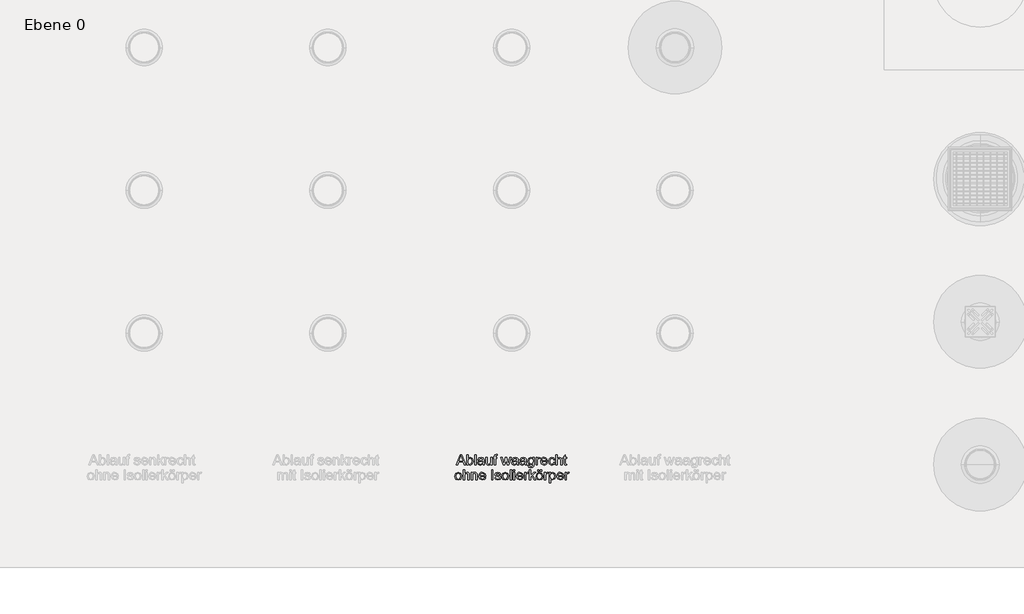
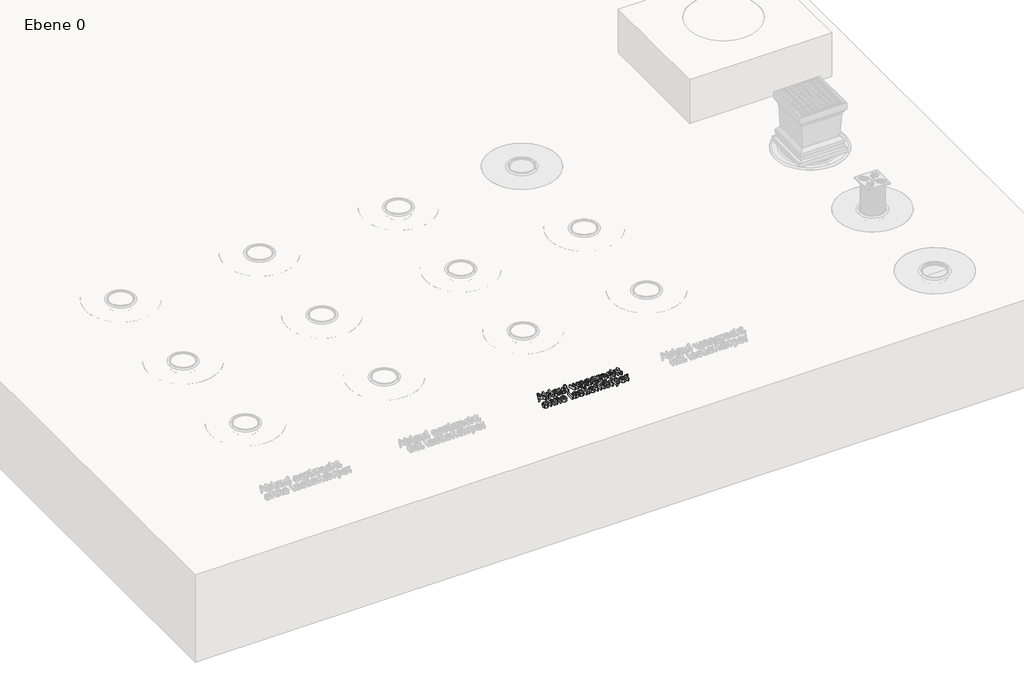
# One storey, part 4 of 12: 1 proxy.
"""IFC4 building model written with IfcOpenShell, lengths in millimetres."""

from ifc_helpers import new_model, si_unit, origin, origin_with_axes, place, context, project, spatial, polyline, outline, extrude, element, save

model = new_model("IFC4")

# Units and contexts
model_context = context("Model", 3, world=origin())
ifc_project = project(units=[si_unit("LENGTHUNIT", "METRE", prefix="MILLI")], contexts=[model_context])

# Site, building, storey
site = spatial("IfcSite", under=ifc_project)
building = spatial("IfcBuilding", under=site)
storey = spatial("IfcBuildingStorey", under=building, Name="Ebene 0", Elevation=0.0)

# Proxy
placement = place(None, origin())
element("IfcBuildingElementProxy", 1, Name="100mm ACO", ObjectType="100mm ACO", at=placement, inside=storey, context=model_context, shape_type="SweptSolid", body=[
    extrude(outline(polyline([(-26943.403997, 17214.466207), (-26950.3453742, 17214.466207), (-26956.3699658, 17229.3676122), (-26977.7034229, 17229.3676122), (-26983.49518, 17214.466207), (-26990.4365572, 17214.466207), (-26970.893015, 17264.7584496), (-26963.7624598, 17264.7584496), (-26943.403997, 17214.466207)]), holes=[polyline([(-26958.6401017, 17234.9556392), (-26965.8943503, 17253.3932177), (-26967.385946, 17259.2577356), (-26969.7288427, 17249.915253), (-26975.535152, 17234.9556392), (-26958.6401017, 17234.9556392)])]), origin_with_axes(), (0.0, 0.0, 1.0), 20.0),
    extrude(outline(polyline([(-26932.3734646, 17247.1940003), (-26922.5944174, 17251.71972), (-26911.4838482, 17246.597362), (-26907.3146562, 17233.2093807), (-26911.8985845, 17218.6062946), (-26922.6235217, 17213.5348691), (-26932.3298081, 17218.5117056), (-26932.4607775, 17214.466207), (-26938.9801423, 17214.466207), (-26938.9801423, 17264.7584496), (-26932.4607775, 17264.7584496), (-26932.3734646, 17247.1940003)]), holes=[polyline([(-26923.2347122, 17218.1915583), (-26916.489789, 17221.9969464), (-26913.834021, 17232.6855032), (-26916.2787828, 17243.184882), (-26923.030982, 17247.0630309), (-26929.8704942, 17243.0611887), (-26932.4607775, 17232.9328898), (-26931.3839181, 17224.4053278), (-26928.1387879, 17220.0324057), (-26923.2347122, 17218.1915583)])]), origin_with_axes(), (0.0, 0.0, 1.0), 20.0),
    extrude(outline(polyline([(-26893.3445888, 17214.466207), (-26899.8639536, 17214.466207), (-26899.8639536, 17264.7584496), (-26893.3445888, 17264.7584496), (-26893.3445888, 17214.466207)])), origin_with_axes(), (0.0, 0.0, 1.0), 20.0),
    extrude(outline(polyline([(-26852.3657244, 17214.466207), (-26858.8850892, 17214.466207), (-26860.7477648, 17218.8609573), (-26873.8010466, 17213.5348691), (-26882.656032, 17216.4452998), (-26885.8938862, 17224.1288369), (-26882.7215167, 17231.6741285), (-26871.7055364, 17235.5959339), (-26866.0010923, 17236.4690631), (-26860.7477648, 17237.7496526), (-26860.9151146, 17241.7878752), (-26861.8901089, 17244.2399131), (-26864.4876683, 17246.2844907), (-26869.3044311, 17247.0630309), (-26875.3799552, 17245.4841222), (-26878.4431835, 17239.6123283), (-26884.9625483, 17240.4126967), (-26879.818362, 17248.8820501), (-26868.4167497, 17251.71972), (-26858.7322916, 17249.7770075), (-26854.9341795, 17245.0912141), (-26854.2284, 17238.0261436), (-26854.2284, 17229.7168639), (-26853.9519091, 17219.5303564), (-26852.3657244, 17214.466207)]), holes=[polyline([(-26860.7477648, 17230.7646189), (-26860.7477648, 17233.0929635), (-26872.4549724, 17230.4153672), (-26877.6446341, 17228.3744277), (-26879.3745214, 17224.230702), (-26877.5118457, 17219.8941602), (-26872.142101, 17218.1915583), (-26864.1893491, 17221.0437804), (-26860.7477648, 17230.7646189)])]), origin_with_axes(), (0.0, 0.0, 1.0), 20.0),
    extrude(outline(polyline([(-26815.1122113, 17214.466207), (-26820.7002383, 17214.466207), (-26820.7002383, 17219.7486387), (-26825.8517006, 17215.0883115), (-26832.3710654, 17213.5348691), (-26839.4725163, 17215.3029558), (-26843.8236102, 17220.1706512), (-26844.9150218, 17228.2179921), (-26844.9150218, 17250.7883822), (-26838.395657, 17250.7883822), (-26838.395657, 17230.1825328), (-26837.9445402, 17223.095634), (-26835.5870913, 17219.5740129), (-26831.0468194, 17218.1915583), (-26824.6365958, 17220.6654244), (-26821.6315761, 17230.9101405), (-26821.6315761, 17250.7883822), (-26815.1122113, 17250.7883822), (-26815.1122113, 17214.466207)])), origin_with_axes(), (0.0, 0.0, 1.0), 20.0),
    extrude(outline(polyline([(-26789.0347521, 17265.2095664), (-26789.8351206, 17261.0330983), (-26793.0074901, 17261.0330983), (-26796.1798595, 17259.963515), (-26797.4167926, 17254.6738072), (-26797.4167926, 17250.7883822), (-26791.8287656, 17250.7883822), (-26791.8287656, 17246.1316931), (-26797.4167926, 17246.1316931), (-26797.4167926, 17214.466207), (-26803.9361574, 17214.466207), (-26803.9361574, 17246.1316931), (-26809.5241843, 17246.1316931), (-26809.5241843, 17250.7883822), (-26803.9361574, 17250.7883822), (-26803.9361574, 17254.7756723), (-26803.4486602, 17259.7961653), (-26800.8802051, 17263.8707683), (-26794.4627054, 17265.6897874), (-26789.0347521, 17265.2095664)])), origin_with_axes(), (0.0, 0.0, 1.0), 20.0),
    extrude(outline(polyline([(-26721.7455941, 17250.7883822), (-26733.9111945, 17214.466207), (-26740.0813076, 17214.466207), (-26745.3637393, 17236.2944373), (-26746.0258623, 17239.2412484), (-26746.658881, 17242.4645504), (-26753.0763807, 17214.466207), (-26759.2464938, 17214.466207), (-26771.5721679, 17250.7883822), (-26765.7658586, 17250.7883822), (-26756.9035971, 17222.0042225), (-26755.8412899, 17226.9082982), (-26750.2823672, 17250.7883822), (-26742.9917383, 17250.7883822), (-26738.5824358, 17231.7396132), (-26736.5305821, 17222.7900388), (-26727.5664556, 17250.7883822), (-26721.7455941, 17250.7883822)])), origin_with_axes(), (0.0, 0.0, 1.0), 20.0),
    extrude(outline(polyline([(-26684.7249155, 17214.466207), (-26691.2442803, 17214.466207), (-26693.106956, 17218.8609573), (-26706.1602377, 17213.5348691), (-26715.0152231, 17216.4452998), (-26718.2530773, 17224.1288369), (-26715.0807078, 17231.6741285), (-26704.0647276, 17235.5959339), (-26698.3602834, 17236.4690631), (-26693.106956, 17237.7496526), (-26693.2743057, 17241.7878752), (-26694.2493, 17244.2399131), (-26696.8468594, 17246.2844907), (-26701.6636222, 17247.0630309), (-26707.7391463, 17245.4841222), (-26710.8023747, 17239.6123283), (-26717.3217395, 17240.4126967), (-26712.1775532, 17248.8820501), (-26700.7759409, 17251.71972), (-26691.0914827, 17249.7770075), (-26687.2933706, 17245.0912141), (-26686.5875912, 17238.0261436), (-26686.5875912, 17229.7168639), (-26686.3111002, 17219.5303564), (-26684.7249155, 17214.466207)]), holes=[polyline([(-26693.106956, 17230.7646189), (-26693.106956, 17233.0929635), (-26704.8141635, 17230.4153672), (-26710.0038252, 17228.3744277), (-26711.7337125, 17224.230702), (-26709.8710368, 17219.8941602), (-26704.5012922, 17218.1915583), (-26696.5485403, 17221.0437804), (-26693.106956, 17230.7646189)])]), origin_with_axes(), (0.0, 0.0, 1.0), 20.0),
    extrude(outline(polyline([(-26645.6087268, 17214.466207), (-26652.1280916, 17214.466207), (-26653.9907672, 17218.8609573), (-26667.044049, 17213.5348691), (-26675.8990344, 17216.4452998), (-26679.1368886, 17224.1288369), (-26675.9645191, 17231.6741285), (-26664.9485388, 17235.5959339), (-26659.2440947, 17236.4690631), (-26653.9907672, 17237.7496526), (-26654.158117, 17241.7878752), (-26655.1331113, 17244.2399131), (-26657.7306707, 17246.2844907), (-26662.5474335, 17247.0630309), (-26668.6229576, 17245.4841222), (-26671.6861859, 17239.6123283), (-26678.2055507, 17240.4126967), (-26673.0613644, 17248.8820501), (-26661.6597521, 17251.71972), (-26651.975294, 17249.7770075), (-26648.1771819, 17245.0912141), (-26647.4714024, 17238.0261436), (-26647.4714024, 17229.7168639), (-26647.1949115, 17219.5303564), (-26645.6087268, 17214.466207)]), holes=[polyline([(-26653.9907672, 17230.7646189), (-26653.9907672, 17233.0929635), (-26665.6979747, 17230.4153672), (-26670.8876365, 17228.3744277), (-26672.6175238, 17224.230702), (-26670.7548481, 17219.8941602), (-26665.3851034, 17218.1915583), (-26657.4323515, 17221.0437804), (-26653.9907672, 17230.7646189)])]), origin_with_axes(), (0.0, 0.0, 1.0), 20.0),
    extrude(outline(polyline([(-26608.3552137, 17219.8213995), (-26609.8904659, 17208.4343393), (-26615.3547996, 17202.5843736), (-26624.7409386, 17200.4961396), (-26634.9929308, 17203.3265334), (-26639.089362, 17212.6035313), (-26632.5699972, 17211.5703284), (-26630.2707569, 17206.7608417), (-26624.6390735, 17205.1528287), (-26617.9450829, 17207.0082283), (-26615.3475235, 17211.5266719), (-26614.8745785, 17218.8755095), (-26624.7263864, 17214.466207), (-26635.8296796, 17219.7195344), (-26640.0206998, 17232.9765463), (-26636.0334097, 17246.3645275), (-26625.0028774, 17251.71972), (-26615.0055479, 17246.9320615), (-26614.8745785, 17250.7883822), (-26608.3552137, 17250.7883822), (-26608.3552137, 17219.8213995)]), holes=[polyline([(-26623.7513921, 17219.1228961), (-26616.9264321, 17222.3534742), (-26613.9432407, 17233.1802764), (-26616.7881867, 17243.4759251), (-26623.8241529, 17247.0630309), (-26630.8019105, 17243.3886121), (-26633.501335, 17233.325798), (-26630.6709412, 17222.5281), (-26623.7513921, 17219.1228961)])]), origin_with_axes(), (0.0, 0.0, 1.0), 20.0),
    extrude(outline(polyline([(-26579.4837411, 17250.293609), (-26581.5210426, 17246.1316931), (-26585.7993757, 17247.0630309), (-26590.8198687, 17243.7887964), (-26592.5224706, 17234.6209396), (-26592.5224706, 17214.466207), (-26599.0418354, 17214.466207), (-26599.0418354, 17250.7883822), (-26593.4538085, 17250.7883822), (-26593.4538085, 17245.4040854), (-26585.7266149, 17251.71972), (-26579.4837411, 17250.293609)])), origin_with_axes(), (0.0, 0.0, 1.0), 20.0),
    extrude(outline(polyline([(-26544.0929036, 17231.2302878), (-26571.1017006, 17231.2302878), (-26567.6892206, 17221.5385536), (-26560.1148247, 17218.1915583), (-26554.2430307, 17220.0469578), (-26550.6122684, 17225.6422609), (-26544.0929036, 17224.8855489), (-26549.7827957, 17216.4744042), (-26560.1148247, 17213.5348691), (-26572.9862045, 17218.5771903), (-26577.6210654, 17232.3508037), (-26573.1535543, 17246.3499754), (-26567.7728955, 17250.3772839), (-26560.5659414, 17251.71972), (-26552.9115087, 17249.9807377), (-26546.6613587, 17244.0580112), (-26544.0929036, 17231.2302878)]), holes=[polyline([(-26550.6122684, 17235.886977), (-26554.0465767, 17244.4436433), (-26560.7260151, 17247.0630309), (-26567.8565704, 17243.94887), (-26571.1017006, 17235.886977), (-26550.6122684, 17235.886977)])]), origin_with_axes(), (0.0, 0.0, 1.0), 20.0),
    extrude(outline(polyline([(-26505.9080527, 17226.7627767), (-26511.5397361, 17216.7217908), (-26521.5079613, 17213.5348691), (-26534.0664698, 17218.7445401), (-26538.5048767, 17232.5545338), (-26535.972802, 17243.9634222), (-26529.6353391, 17249.9807377), (-26521.6389307, 17251.71972), (-26511.8526074, 17248.874774), (-26506.8393905, 17240.5145618), (-26513.3587553, 17239.6123283), (-26516.3273947, 17245.1930792), (-26521.5661699, 17247.0630309), (-26529.3370199, 17243.2721949), (-26531.9855119, 17232.6855032), (-26529.3297439, 17221.9678421), (-26521.668035, 17218.1915583), (-26515.3305721, 17220.5199028), (-26512.4274175, 17227.5049365), (-26505.9080527, 17226.7627767)])), origin_with_axes(), (0.0, 0.0, 1.0), 20.0),
    extrude(outline(polyline([(-26472.3798909, 17214.466207), (-26478.8992557, 17214.466207), (-26478.8992557, 17237.9533828), (-26480.7546553, 17244.7856189), (-26486.2917497, 17247.0630309), (-26492.7965624, 17244.3781586), (-26495.6633366, 17234.7955655), (-26495.6633366, 17214.466207), (-26502.1827014, 17214.466207), (-26502.1827014, 17264.7584496), (-26495.6633366, 17264.7584496), (-26495.6633366, 17246.7428835), (-26484.8219822, 17251.71972), (-26478.1425438, 17250.2790568), (-26473.6677565, 17245.8479261), (-26472.3798909, 17237.5459225), (-26472.3798909, 17214.466207)])), origin_with_axes(), (0.0, 0.0, 1.0), 20.0),
    extrude(outline(polyline([(-26449.0964453, 17213.9568816), (-26453.6658215, 17213.5348691), (-26459.493959, 17214.9828084), (-26461.7277146, 17218.6572272), (-26462.1351749, 17224.8564446), (-26462.1351749, 17246.1316931), (-26466.791864, 17246.1316931), (-26466.791864, 17250.7883822), (-26462.1351749, 17250.7883822), (-26462.1351749, 17260.0144476), (-26455.6158101, 17263.8271118), (-26455.6158101, 17250.7883822), (-26450.0277831, 17250.7883822), (-26450.0277831, 17246.1316931), (-26455.6158101, 17246.1316931), (-26455.6158101, 17223.5467508), (-26455.0919325, 17219.4139392), (-26452.4288884, 17218.1915583), (-26449.8968137, 17218.1915583), (-26449.0964453, 17213.9568816)])), origin_with_axes(), (0.0, 0.0, 1.0), 20.0),
    extrude(outline(polyline([(-26980.4392277, 17178.4362744), (-26968.426425, 17173.6195115), (-26963.6605947, 17159.9259351), (-26964.9502793, 17150.7362501), (-26968.8193331, 17144.7043824), (-26980.4392277, 17140.2514235), (-26992.2046439, 17144.8280757), (-26995.9427283, 17150.7453452), (-26997.1887565, 17159.3438489), (-26992.3719937, 17173.7068245), (-26980.4392277, 17178.4362744)]), holes=[polyline([(-26980.4392277, 17144.9081126), (-26972.7920711, 17148.9463352), (-26970.1799595, 17159.5766834), (-26973.1340467, 17170.1997555), (-26980.4392277, 17173.7795852), (-26987.7953414, 17170.1488229), (-26990.6693917, 17159.3292968), (-26987.7444088, 17148.5388749), (-26980.4392277, 17144.9081126)])]), origin_with_axes(), (0.0, 0.0, 1.0), 20.0),
    extrude(outline(polyline([(-26926.4070816, 17141.1827613), (-26932.9264464, 17141.1827613), (-26932.9264464, 17164.6699371), (-26934.781846, 17171.5021732), (-26940.3189404, 17173.7795852), (-26946.8237531, 17171.0947129), (-26949.6905273, 17161.5121198), (-26949.6905273, 17141.1827613), (-26956.2098921, 17141.1827613), (-26956.2098921, 17191.4750039), (-26949.6905273, 17191.4750039), (-26949.6905273, 17173.4594379), (-26938.8491729, 17178.4362744), (-26932.1697344, 17176.9956112), (-26927.6949472, 17172.5644804), (-26926.4070816, 17164.2624768), (-26926.4070816, 17141.1827613)])), origin_with_axes(), (0.0, 0.0, 1.0), 20.0),
    extrude(outline(polyline([(-26887.2908929, 17141.1827613), (-26893.8102577, 17141.1827613), (-26893.8102577, 17163.7968079), (-26895.7529702, 17171.6404187), (-26901.1590952, 17173.7795852), (-26906.2014164, 17172.4116828), (-26909.577516, 17168.5553621), (-26910.5743386, 17161.5121198), (-26910.5743386, 17141.1827613), (-26917.0937034, 17141.1827613), (-26917.0937034, 17177.5049365), (-26911.5056764, 17177.5049365), (-26911.5056764, 17172.4553393), (-26906.5288399, 17176.9446786), (-26899.8639536, 17178.4362744), (-26894.1449572, 17177.4030715), (-26889.7211025, 17174.3107388), (-26887.7056293, 17169.9159885), (-26887.2908929, 17163.6076299), (-26887.2908929, 17141.1827613)])), origin_with_axes(), (0.0, 0.0, 1.0), 20.0),
    extrude(outline(polyline([(-26846.3120285, 17157.9468422), (-26873.3208255, 17157.9468422), (-26869.9083455, 17148.2551079), (-26862.3339496, 17144.9081126), (-26856.4621556, 17146.7635122), (-26852.8313933, 17152.3588152), (-26846.3120285, 17151.6021032), (-26852.0019205, 17143.1909585), (-26862.3339496, 17140.2514235), (-26875.2053294, 17145.2937447), (-26879.8401903, 17159.067358), (-26875.3726791, 17173.0665297), (-26869.9920204, 17177.0938382), (-26862.7850663, 17178.4362744), (-26855.1306336, 17176.697292), (-26848.8804836, 17170.7745655), (-26846.3120285, 17157.9468422)]), holes=[polyline([(-26852.8313933, 17162.6035313), (-26856.2657015, 17171.1601976), (-26862.94514, 17173.7795852), (-26870.0756952, 17170.6654244), (-26873.3208255, 17162.6035313), (-26852.8313933, 17162.6035313)])]), origin_with_axes(), (0.0, 0.0, 1.0), 20.0),
    extrude(outline(polyline([(-26810.9211911, 17141.1827613), (-26817.4405559, 17141.1827613), (-26817.4405559, 17191.4750039), (-26810.9211911, 17191.4750039), (-26810.9211911, 17141.1827613)])), origin_with_axes(), (0.0, 0.0, 1.0), 20.0),
    extrude(outline(polyline([(-26779.255705, 17167.2602204), (-26781.6640864, 17172.149744), (-26787.2302851, 17173.7795852), (-26792.9201771, 17172.3825785), (-26795.088448, 17168.3225277), (-26793.6550609, 17164.7281457), (-26786.8955856, 17162.7781572), (-26777.9823915, 17160.682647), (-26773.4348435, 17157.5030015), (-26771.8050023, 17151.8058334), (-26775.850501, 17143.5911427), (-26786.6627511, 17140.2514235), (-26797.6714553, 17143.0599891), (-26802.5391506, 17151.4711338), (-26796.0197858, 17152.3588152), (-26793.2039441, 17146.7635122), (-26786.6627511, 17144.9081126), (-26780.4780859, 17146.8362729), (-26778.3243671, 17151.5293425), (-26779.2920853, 17154.5343622), (-26781.7077428, 17156.2296881), (-26788.5399789, 17157.6849034), (-26799.068462, 17161.6139849), (-26801.6078128, 17167.9441717), (-26797.8460811, 17175.4749111), (-26787.7250583, 17178.4362744), (-26777.2256795, 17175.845991), (-26772.7363402, 17168.0896932), (-26779.255705, 17167.2602204)])), origin_with_axes(), (0.0, 0.0, 1.0), 20.0),
    extrude(outline(polyline([(-26750.3987845, 17178.4362744), (-26738.3859817, 17173.6195115), (-26733.6201514, 17159.9259351), (-26734.909836, 17150.7362501), (-26738.7788899, 17144.7043824), (-26750.3987845, 17140.2514235), (-26762.1642006, 17144.8280757), (-26765.9022851, 17150.7453452), (-26767.1483132, 17159.3438489), (-26762.3315504, 17173.7068245), (-26750.3987845, 17178.4362744)]), holes=[polyline([(-26750.3987845, 17144.9081126), (-26742.7516278, 17148.9463352), (-26740.1395162, 17159.5766834), (-26743.0936034, 17170.1997555), (-26750.3987845, 17173.7795852), (-26757.7548981, 17170.1488229), (-26760.6289484, 17159.3292968), (-26757.7039656, 17148.5388749), (-26750.3987845, 17144.9081126)])]), origin_with_axes(), (0.0, 0.0, 1.0), 20.0),
    extrude(outline(polyline([(-26719.650084, 17141.1827613), (-26726.1694488, 17141.1827613), (-26726.1694488, 17191.4750039), (-26719.650084, 17191.4750039), (-26719.650084, 17141.1827613)])), origin_with_axes(), (0.0, 0.0, 1.0), 20.0),
    extrude(outline(polyline([(-26703.817341, 17141.1827613), (-26710.3367058, 17141.1827613), (-26710.3367058, 17177.5049365), (-26703.817341, 17177.5049365), (-26703.817341, 17141.1827613)])), origin_with_axes(), (0.0, 0.0, 1.0), 20.0),
    extrude(outline(polyline([(-26703.817341, 17184.9556392), (-26710.3367058, 17184.9556392), (-26710.3367058, 17191.4750039), (-26703.817341, 17191.4750039), (-26703.817341, 17184.9556392)])), origin_with_axes(), (0.0, 0.0, 1.0), 20.0),
    extrude(outline(polyline([(-26662.8384766, 17157.9468422), (-26689.8472736, 17157.9468422), (-26686.4347936, 17148.2551079), (-26678.8603976, 17144.9081126), (-26672.9886037, 17146.7635122), (-26669.3578414, 17152.3588152), (-26662.8384766, 17151.6021032), (-26668.5283686, 17143.1909585), (-26678.8603976, 17140.2514235), (-26691.7317774, 17145.2937447), (-26696.3666384, 17159.067358), (-26691.8991272, 17173.0665297), (-26686.5184684, 17177.0938382), (-26679.3115144, 17178.4362744), (-26671.6570816, 17176.697292), (-26665.4069317, 17170.7745655), (-26662.8384766, 17157.9468422)]), holes=[polyline([(-26669.3578414, 17162.6035313), (-26672.7921496, 17171.1601976), (-26679.4715881, 17173.7795852), (-26686.6021433, 17170.6654244), (-26689.8472736, 17162.6035313), (-26669.3578414, 17162.6035313)])]), origin_with_axes(), (0.0, 0.0, 1.0), 20.0),
    extrude(outline(polyline([(-26635.8296796, 17177.0101633), (-26637.8669811, 17172.8482474), (-26642.1453142, 17173.7795852), (-26647.1658072, 17170.5053507), (-26648.8684092, 17161.3374939), (-26648.8684092, 17141.1827613), (-26655.387774, 17141.1827613), (-26655.387774, 17177.5049365), (-26649.799747, 17177.5049365), (-26649.799747, 17172.1206397), (-26642.0725535, 17178.4362744), (-26635.8296796, 17177.0101633)])), origin_with_axes(), (0.0, 0.0, 1.0), 20.0),
    extrude(outline(polyline([(-26601.37018, 17141.1827613), (-26607.8458883, 17141.1827613), (-26620.9573787, 17160.2751867), (-26625.5849635, 17156.0841665), (-26625.5849635, 17141.1827613), (-26632.1043283, 17141.1827613), (-26632.1043283, 17191.4750039), (-26625.5849635, 17191.4750039), (-26625.5849635, 17163.3165868), (-26610.0141592, 17177.5049365), (-26602.0686834, 17177.5049365), (-26616.9991929, 17163.9132251), (-26601.37018, 17141.1827613)])), origin_with_axes(), (0.0, 0.0, 1.0), 20.0),
    extrude(outline(polyline([(-26582.7579756, 17178.4362744), (-26570.7451729, 17173.6195115), (-26565.9793426, 17159.9259351), (-26567.2690272, 17150.7362501), (-26571.138081, 17144.7043824), (-26582.7579756, 17140.2514235), (-26594.5233917, 17144.8280757), (-26598.2614762, 17150.7453452), (-26599.5075043, 17159.3438489), (-26594.6907415, 17173.7068245), (-26582.7579756, 17178.4362744)]), holes=[polyline([(-26582.7579756, 17144.9081126), (-26575.1108189, 17148.9463352), (-26572.4987074, 17159.5766834), (-26575.4527945, 17170.1997555), (-26582.7579756, 17173.7795852), (-26590.1140892, 17170.1488229), (-26592.9881396, 17159.3292968), (-26590.0631567, 17148.5388749), (-26582.7579756, 17144.9081126)])]), origin_with_axes(), (0.0, 0.0, 1.0), 20.0),
    extrude(outline(polyline([(-26572.4987074, 17184.0243013), (-26579.0180721, 17184.0243013), (-26579.0180721, 17191.4750039), (-26572.4987074, 17191.4750039), (-26572.4987074, 17184.0243013)])), origin_with_axes(), (0.0, 0.0, 1.0), 20.0),
    extrude(outline(polyline([(-26585.5374369, 17184.0243013), (-26592.0568017, 17184.0243013), (-26592.0568017, 17191.4750039), (-26585.5374369, 17191.4750039), (-26585.5374369, 17184.0243013)])), origin_with_axes(), (0.0, 0.0, 1.0), 20.0),
    extrude(outline(polyline([(-26538.9705456, 17177.0101633), (-26541.0078471, 17172.8482474), (-26545.2861802, 17173.7795852), (-26550.3066732, 17170.5053507), (-26552.0092752, 17161.3374939), (-26552.0092752, 17141.1827613), (-26558.52864, 17141.1827613), (-26558.52864, 17177.5049365), (-26552.940613, 17177.5049365), (-26552.940613, 17172.1206397), (-26545.2134195, 17178.4362744), (-26538.9705456, 17177.0101633)])), origin_with_axes(), (0.0, 0.0, 1.0), 20.0),
    extrude(outline(polyline([(-26528.6603448, 17173.1247383), (-26518.539322, 17178.4362744), (-26507.5961025, 17173.2266034), (-26503.5797082, 17159.6494441), (-26508.1199801, 17145.4974748), (-26519.2669297, 17140.2514235), (-26528.5512036, 17144.5297566), (-26528.7258295, 17127.2126939), (-26535.2451943, 17127.2126939), (-26535.2451943, 17177.5049365), (-26528.7258295, 17177.5049365), (-26528.6603448, 17173.1247383)]), holes=[polyline([(-26519.9799852, 17144.9081126), (-26512.9003625, 17148.5825314), (-26510.0990729, 17159.5330269), (-26512.7984974, 17170.0906143), (-26519.7034943, 17173.7795852), (-26526.8558778, 17169.6686019), (-26529.6571673, 17159.0091494), (-26526.972295, 17148.4952184), (-26519.9799852, 17144.9081126)])]), origin_with_axes(), (0.0, 0.0, 1.0), 20.0),
    extrude(outline(polyline([(-26464.4635194, 17157.9468422), (-26491.4723164, 17157.9468422), (-26488.0598364, 17148.2551079), (-26480.4854405, 17144.9081126), (-26474.6136465, 17146.7635122), (-26470.9828842, 17152.3588152), (-26464.4635194, 17151.6021032), (-26470.1534115, 17143.1909585), (-26480.4854405, 17140.2514235), (-26493.3568203, 17145.2937447), (-26497.9916812, 17159.067358), (-26493.5241701, 17173.0665297), (-26488.1435113, 17177.0938382), (-26480.9365572, 17178.4362744), (-26473.2821245, 17176.697292), (-26467.0319745, 17170.7745655), (-26464.4635194, 17157.9468422)]), holes=[polyline([(-26470.9828842, 17162.6035313), (-26474.4171924, 17171.1601976), (-26481.0966309, 17173.7795852), (-26488.2271862, 17170.6654244), (-26491.4723164, 17162.6035313), (-26470.9828842, 17162.6035313)])]), origin_with_axes(), (0.0, 0.0, 1.0), 20.0),
    extrude(outline(polyline([(-26437.4547224, 17177.0101633), (-26439.4920239, 17172.8482474), (-26443.7703571, 17173.7795852), (-26448.79085, 17170.5053507), (-26450.493452, 17161.3374939), (-26450.493452, 17141.1827613), (-26457.0128168, 17141.1827613), (-26457.0128168, 17177.5049365), (-26451.4247898, 17177.5049365), (-26451.4247898, 17172.1206397), (-26443.6975963, 17178.4362744), (-26437.4547224, 17177.0101633)])), origin_with_axes(), (0.0, 0.0, 1.0), 20.0),
])

save(model, "model.ifc")
